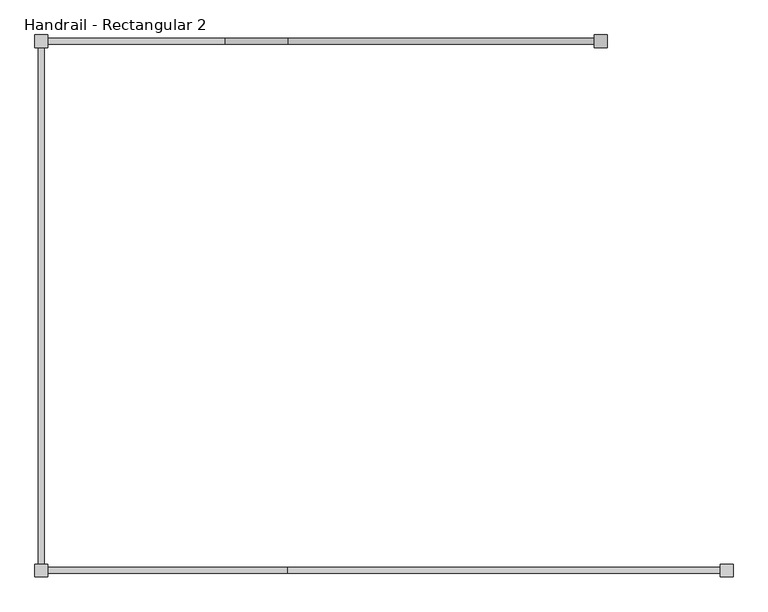
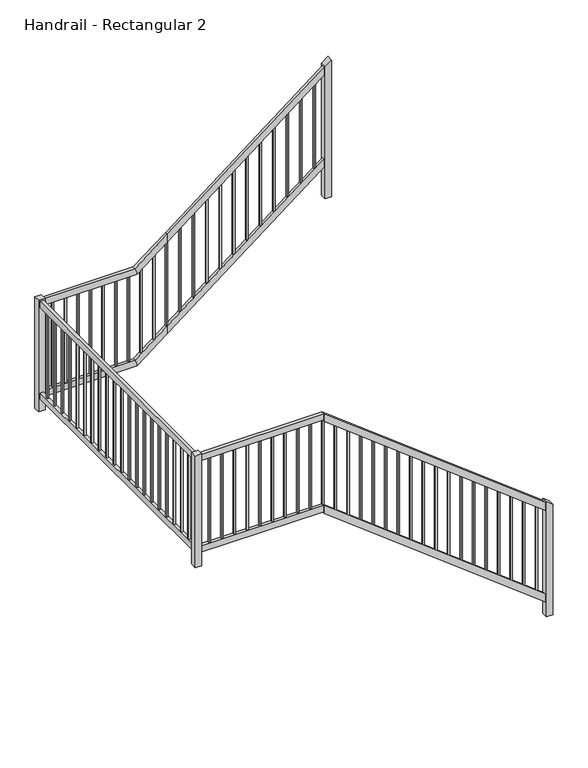
"""IFC4 building model written with IfcOpenShell, lengths in millimetres: railing geometry, Handrail - Rectangular 2."""

from ifc_helpers import new_model, si_unit, frame, origin, place, context, project, spatial, polyline, outline, extrude, faceted_brep, source, transform, mapped, element, save


def handrail_rectangular_2_5184c301(model_context):
    return source(origin(), model_context, "Body", "SolidModel", [
        faceted_brep([(2861.6897599, -469.7908634, -1638.7535714), (2861.6897599, -469.7908634, -1702.9680736), (2861.6897599, -444.3908634, -1702.9680736), (2861.6897599, -444.3908634, -1638.7535714), (1083.6897599, -469.7908634, -263.9785714), (1083.6897599, -444.3908634, -263.9785714), (1083.6897599, -444.3908634, -328.1930736), (1083.6897599, -469.7908634, -328.1930736)], [[[0, 1, 2, 3]], [[4, 5, 6, 7]], [[1, 0, 4, 7]], [[2, 1, 7, 6]], [[3, 2, 6, 5]], [[0, 3, 5, 4]]]),
        faceted_brep([(1083.6897599, -469.7908634, -263.9785714), (1083.6897599, -469.7908634, -314.7785714), (1083.6897599, -444.3908634, -314.7785714), (1083.6897599, -444.3908634, -263.9785714), (102.6147599, -469.7908634, -263.9785714), (102.6147599, -444.3908634, -263.9785714), (102.6147599, -444.3908634, -314.7785714), (102.6147599, -469.7908634, -314.7785714)], [[[0, 1, 2, 3]], [[4, 5, 6, 7]], [[1, 0, 4, 7]], [[2, 1, 7, 6]], [[3, 2, 6, 5]], [[0, 3, 5, 4]]]),
        faceted_brep([(77.2147599, -469.7908634, -263.9785714), (77.2147599, -469.7908634, -314.7785714), (102.6147599, -469.7908634, -314.7785714), (102.6147599, -469.7908634, -263.9785714), (77.2147599, 1663.8091366, -263.9785714), (102.6147599, 1663.8091366, -263.9785714), (102.6147599, 1663.8091366, -314.7785714), (77.2147599, 1663.8091366, -314.7785714)], [[[0, 1, 2, 3]], [[4, 5, 6, 7]], [[1, 0, 4, 7]], [[2, 1, 7, 6]], [[3, 2, 6, 5]], [[0, 3, 5, 4]]]),
        faceted_brep([(77.2147599, 1689.2091366, -263.9785714), (77.2147599, 1689.2091366, -314.7785714), (77.2147599, 1663.8091366, -314.7785714), (77.2147599, 1663.8091366, -263.9785714), (829.6897599, 1689.2091366, -263.9785714), (847.0387696, 1689.2091366, -314.7785714), (847.0387696, 1663.8091366, -314.7785714), (829.6897599, 1663.8091366, -263.9785714), (1083.6897599, 1689.2091366, -67.5821429), (1083.6897599, 1663.8091366, -67.5821429), (1083.6897599, 1663.8091366, -131.796645), (1083.6897599, 1689.2091366, -131.796645)], [[[0, 1, 2, 3]], [[1, 0, 4, 5]], [[2, 1, 5, 6]], [[3, 2, 6, 7]], [[0, 3, 7, 4]], [[8, 9, 10, 11]], [[5, 4, 8, 11]], [[6, 5, 11, 10]], [[7, 6, 10, 9]], [[4, 7, 9, 8]]]),
        faceted_brep([(1083.6897599, 1689.2091366, -67.5821429), (1083.6897599, 1689.2091366, -131.796645), (1083.6897599, 1663.8091366, -131.796645), (1083.6897599, 1663.8091366, -67.5821429), (2353.6897599, 1689.2091366, 914.4), (2353.6897599, 1663.8091366, 914.4), (2353.6897599, 1663.8091366, 850.1854979), (2353.6897599, 1689.2091366, 850.1854979)], [[[0, 1, 2, 3]], [[4, 5, 6, 7]], [[1, 0, 4, 7]], [[2, 1, 7, 6]], [[3, 2, 6, 5]], [[0, 3, 5, 4]]]),
        faceted_brep([(2861.6897599, -469.7908634, -2400.7535714), (2861.6897599, -469.7908634, -2464.9680736), (2861.6897599, -444.3908634, -2464.9680736), (2861.6897599, -444.3908634, -2400.7535714), (1083.6897599, -469.7908634, -1025.9785714), (1083.6897599, -444.3908634, -1025.9785714), (1083.6897599, -444.3908634, -1090.1930736), (1083.6897599, -469.7908634, -1090.1930736)], [[[0, 1, 2, 3]], [[4, 5, 6, 7]], [[1, 0, 4, 7]], [[2, 1, 7, 6]], [[3, 2, 6, 5]], [[0, 3, 5, 4]]]),
        faceted_brep([(1083.6897599, -469.7908634, -1025.9785714), (1083.6897599, -469.7908634, -1076.7785714), (1083.6897599, -444.3908634, -1076.7785714), (1083.6897599, -444.3908634, -1025.9785714), (102.6147599, -469.7908634, -1025.9785714), (102.6147599, -444.3908634, -1025.9785714), (102.6147599, -444.3908634, -1076.7785714), (102.6147599, -469.7908634, -1076.7785714)], [[[0, 1, 2, 3]], [[4, 5, 6, 7]], [[1, 0, 4, 7]], [[2, 1, 7, 6]], [[3, 2, 6, 5]], [[0, 3, 5, 4]]]),
        faceted_brep([(77.2147599, -469.7908634, -1025.9785714), (77.2147599, -469.7908634, -1076.7785714), (102.6147599, -469.7908634, -1076.7785714), (102.6147599, -469.7908634, -1025.9785714), (77.2147599, 1663.8091366, -1025.9785714), (102.6147599, 1663.8091366, -1025.9785714), (102.6147599, 1663.8091366, -1076.7785714), (77.2147599, 1663.8091366, -1076.7785714)], [[[0, 1, 2, 3]], [[4, 5, 6, 7]], [[1, 0, 4, 7]], [[2, 1, 7, 6]], [[3, 2, 6, 5]], [[0, 3, 5, 4]]]),
        faceted_brep([(77.2147599, 1689.2091366, -1025.9785714), (77.2147599, 1689.2091366, -1076.7785714), (77.2147599, 1663.8091366, -1076.7785714), (77.2147599, 1663.8091366, -1025.9785714), (829.6897599, 1689.2091366, -1025.9785714), (847.0387696, 1689.2091366, -1076.7785714), (847.0387696, 1663.8091366, -1076.7785714), (829.6897599, 1663.8091366, -1025.9785714), (1083.6897599, 1689.2091366, -829.5821429), (1083.6897599, 1663.8091366, -829.5821429), (1083.6897599, 1663.8091366, -893.796645), (1083.6897599, 1689.2091366, -893.796645)], [[[0, 1, 2, 3]], [[1, 0, 4, 5]], [[2, 1, 5, 6]], [[3, 2, 6, 7]], [[0, 3, 7, 4]], [[8, 9, 10, 11]], [[5, 4, 8, 11]], [[6, 5, 11, 10]], [[7, 6, 10, 9]], [[4, 7, 9, 8]]]),
        faceted_brep([(1083.6897599, 1689.2091366, -829.5821429), (1083.6897599, 1689.2091366, -893.796645), (1083.6897599, 1663.8091366, -893.796645), (1083.6897599, 1663.8091366, -829.5821429), (2353.6897599, 1689.2091366, 152.4), (2353.6897599, 1663.8091366, 152.4), (2353.6897599, 1663.8091366, 88.1854979), (2353.6897599, 1689.2091366, 88.1854979)], [[[0, 1, 2, 3]], [[4, 5, 6, 7]], [[1, 0, 4, 7]], [[2, 1, 7, 6]], [[3, 2, 6, 5]], [[0, 3, 5, 4]]]),
        extrude(outline(polyline([(858.6900893, 2347.3397599), (147.4900893, 2347.3397599), (157.3099107, 2360.0397599), (868.5099107, 2360.0397599), (858.6900893, 2347.3397599)])), frame((0.0, 1670.1591366, 0.0), z_axis=(0.0, 1.0, 0.0), x_axis=(0.0, 0.0, 1.0)), (0.0, 0.0, 1.0), 12.7),
        extrude(outline(polyline([(776.858244, 2241.5064266), (65.658244, 2241.5064266), (75.4780655, 2254.2064266), (786.6780655, 2254.2064266), (776.858244, 2241.5064266)])), frame((0.0, 1670.1591366, 0.0), z_axis=(0.0, 1.0, 0.0), x_axis=(0.0, 0.0, 1.0)), (0.0, 0.0, 1.0), 12.7),
        extrude(outline(polyline([(695.0263988, 2135.6730933), (-16.1736012, 2135.6730933), (-6.3537798, 2148.3730933), (704.8462202, 2148.3730933), (695.0263988, 2135.6730933)])), frame((0.0, 1670.1591366, 0.0), z_axis=(0.0, 1.0, 0.0), x_axis=(0.0, 0.0, 1.0)), (0.0, 0.0, 1.0), 12.7),
        extrude(outline(polyline([(613.1945536, 2029.8397599), (-98.0054464, 2029.8397599), (-88.185625, 2042.5397599), (623.014375, 2042.5397599), (613.1945536, 2029.8397599)])), frame((0.0, 1670.1591366, 0.0), z_axis=(0.0, 1.0, 0.0), x_axis=(0.0, 0.0, 1.0)), (0.0, 0.0, 1.0), 12.7),
        extrude(outline(polyline([(531.3627083, 1924.0064266), (-179.8372917, 1924.0064266), (-170.0174702, 1936.7064266), (541.1825298, 1936.7064266), (531.3627083, 1924.0064266)])), frame((0.0, 1670.1591366, 0.0), z_axis=(0.0, 1.0, 0.0), x_axis=(0.0, 0.0, 1.0)), (0.0, 0.0, 1.0), 12.7),
        extrude(outline(polyline([(449.5308631, 1818.1730933), (-261.6691369, 1818.1730933), (-251.8493155, 1830.8730933), (459.3506845, 1830.8730933), (449.5308631, 1818.1730933)])), frame((0.0, 1670.1591366, 0.0), z_axis=(0.0, 1.0, 0.0), x_axis=(0.0, 0.0, 1.0)), (0.0, 0.0, 1.0), 12.7),
        extrude(outline(polyline([(367.6990179, 1712.3397599), (-343.5009821, 1712.3397599), (-333.6811607, 1725.0397599), (377.5188393, 1725.0397599), (367.6990179, 1712.3397599)])), frame((0.0, 1670.1591366, 0.0), z_axis=(0.0, 1.0, 0.0), x_axis=(0.0, 0.0, 1.0)), (0.0, 0.0, 1.0), 12.7),
        extrude(outline(polyline([(285.8671726, 1606.5064266), (-425.3328274, 1606.5064266), (-415.513006, 1619.2064266), (295.686994, 1619.2064266), (285.8671726, 1606.5064266)])), frame((0.0, 1670.1591366, 0.0), z_axis=(0.0, 1.0, 0.0), x_axis=(0.0, 0.0, 1.0)), (0.0, 0.0, 1.0), 12.7),
        extrude(outline(polyline([(204.0353274, 1500.6730933), (-507.1646726, 1500.6730933), (-497.3448512, 1513.3730933), (213.8551488, 1513.3730933), (204.0353274, 1500.6730933)])), frame((0.0, 1670.1591366, 0.0), z_axis=(0.0, 1.0, 0.0), x_axis=(0.0, 0.0, 1.0)), (0.0, 0.0, 1.0), 12.7),
        extrude(outline(polyline([(122.2034821, 1394.8397599), (-588.9965179, 1394.8397599), (-579.1766964, 1407.5397599), (132.0233036, 1407.5397599), (122.2034821, 1394.8397599)])), frame((0.0, 1670.1591366, 0.0), z_axis=(0.0, 1.0, 0.0), x_axis=(0.0, 0.0, 1.0)), (0.0, 0.0, 1.0), 12.7),
        extrude(outline(polyline([(40.3716369, 1289.0064266), (-670.8283631, 1289.0064266), (-661.0085417, 1301.7064266), (50.1914583, 1301.7064266), (40.3716369, 1289.0064266)])), frame((0.0, 1670.1591366, 0.0), z_axis=(0.0, 1.0, 0.0), x_axis=(0.0, 0.0, 1.0)), (0.0, 0.0, 1.0), 12.7),
        extrude(outline(polyline([(-41.4602083, 1183.1730933), (-752.6602083, 1183.1730933), (-742.8403869, 1195.8730933), (-31.6403869, 1195.8730933), (-41.4602083, 1183.1730933)])), frame((0.0, 1670.1591366, 0.0), z_axis=(0.0, 1.0, 0.0), x_axis=(0.0, 0.0, 1.0)), (0.0, 0.0, 1.0), 12.7),
        extrude(outline(polyline([(-123.2920536, 1077.3397599), (-834.4920536, 1077.3397599), (-824.6722321, 1090.0397599), (-113.4722321, 1090.0397599), (-123.2920536, 1077.3397599)])), frame((0.0, 1670.1591366, 0.0), z_axis=(0.0, 1.0, 0.0), x_axis=(0.0, 0.0, 1.0)), (0.0, 0.0, 1.0), 12.7),
        extrude(outline(polyline([(-200.1321562, 977.9622599), (-911.3321562, 977.9622599), (-901.5123348, 990.6622599), (-190.3123348, 990.6622599), (-200.1321562, 977.9622599)])), frame((0.0, 1670.1591366, 0.0), z_axis=(0.0, 1.0, 0.0), x_axis=(0.0, 0.0, 1.0)), (0.0, 0.0, 1.0), 12.7),
        extrude(outline(polyline([(-276.9722589, 878.5847599), (-988.1722589, 878.5847599), (-978.3524375, 891.2847599), (-267.1524375, 891.2847599), (-276.9722589, 878.5847599)])), frame((0.0, 1670.1591366, 0.0), z_axis=(0.0, 1.0, 0.0), x_axis=(0.0, 0.0, 1.0)), (0.0, 0.0, 1.0), 12.7),
        extrude(outline(polyline([(779.2072599, 1682.8591366), (791.9072599, 1682.8591366), (791.9072599, 1670.1591366), (779.2072599, 1670.1591366), (779.2072599, 1682.8591366)])), frame((0.0, 0.0, -1025.9785714), z_axis=(0.0, 0.0, 1.0), x_axis=(1.0, 0.0, 0.0)), (0.0, 0.0, 1.0), 711.2),
        extrude(outline(polyline([(679.8297599, 1682.8591366), (692.5297599, 1682.8591366), (692.5297599, 1670.1591366), (679.8297599, 1670.1591366), (679.8297599, 1682.8591366)])), frame((0.0, 0.0, -1025.9785714), z_axis=(0.0, 0.0, 1.0), x_axis=(1.0, 0.0, 0.0)), (0.0, 0.0, 1.0), 711.2),
        extrude(outline(polyline([(580.4522599, 1682.8591366), (593.1522599, 1682.8591366), (593.1522599, 1670.1591366), (580.4522599, 1670.1591366), (580.4522599, 1682.8591366)])), frame((0.0, 0.0, -1025.9785714), z_axis=(0.0, 0.0, 1.0), x_axis=(1.0, 0.0, 0.0)), (0.0, 0.0, 1.0), 711.2),
        extrude(outline(polyline([(481.0747599, 1682.8591366), (493.7747599, 1682.8591366), (493.7747599, 1670.1591366), (481.0747599, 1670.1591366), (481.0747599, 1682.8591366)])), frame((0.0, 0.0, -1025.9785714), z_axis=(0.0, 0.0, 1.0), x_axis=(1.0, 0.0, 0.0)), (0.0, 0.0, 1.0), 711.2),
        extrude(outline(polyline([(381.6972599, 1682.8591366), (394.3972599, 1682.8591366), (394.3972599, 1670.1591366), (381.6972599, 1670.1591366), (381.6972599, 1682.8591366)])), frame((0.0, 0.0, -1025.9785714), z_axis=(0.0, 0.0, 1.0), x_axis=(1.0, 0.0, 0.0)), (0.0, 0.0, 1.0), 711.2),
        extrude(outline(polyline([(282.3197599, 1682.8591366), (295.0197599, 1682.8591366), (295.0197599, 1670.1591366), (282.3197599, 1670.1591366), (282.3197599, 1682.8591366)])), frame((0.0, 0.0, -1025.9785714), z_axis=(0.0, 0.0, 1.0), x_axis=(1.0, 0.0, 0.0)), (0.0, 0.0, 1.0), 711.2),
        extrude(outline(polyline([(182.9422599, 1682.8591366), (195.6422599, 1682.8591366), (195.6422599, 1670.1591366), (182.9422599, 1670.1591366), (182.9422599, 1682.8591366)])), frame((0.0, 0.0, -1025.9785714), z_axis=(0.0, 0.0, 1.0), x_axis=(1.0, 0.0, 0.0)), (0.0, 0.0, 1.0), 711.2),
        extrude(outline(polyline([(83.5647599, 1670.1591366), (83.5647599, 1682.8591366), (96.2647599, 1682.8591366), (96.2647599, 1670.1591366), (83.5647599, 1670.1591366)])), frame((0.0, 0.0, -1025.9785714), z_axis=(0.0, 0.0, 1.0), x_axis=(1.0, 0.0, 0.0)), (0.0, 0.0, 1.0), 711.2),
        extrude(outline(polyline([(83.5647599, 1568.5591366), (83.5647599, 1581.2591366), (96.2647599, 1581.2591366), (96.2647599, 1568.5591366), (83.5647599, 1568.5591366)])), frame((0.0, 0.0, -1025.9785714), z_axis=(0.0, 0.0, 1.0), x_axis=(1.0, 0.0, 0.0)), (0.0, 0.0, 1.0), 711.2),
        extrude(outline(polyline([(83.5647599, 1466.9591366), (83.5647599, 1479.6591366), (96.2647599, 1479.6591366), (96.2647599, 1466.9591366), (83.5647599, 1466.9591366)])), frame((0.0, 0.0, -1025.9785714), z_axis=(0.0, 0.0, 1.0), x_axis=(1.0, 0.0, 0.0)), (0.0, 0.0, 1.0), 711.2),
        extrude(outline(polyline([(83.5647599, 1365.3591366), (83.5647599, 1378.0591366), (96.2647599, 1378.0591366), (96.2647599, 1365.3591366), (83.5647599, 1365.3591366)])), frame((0.0, 0.0, -1025.9785714), z_axis=(0.0, 0.0, 1.0), x_axis=(1.0, 0.0, 0.0)), (0.0, 0.0, 1.0), 711.2),
        extrude(outline(polyline([(83.5647599, 1263.7591366), (83.5647599, 1276.4591366), (96.2647599, 1276.4591366), (96.2647599, 1263.7591366), (83.5647599, 1263.7591366)])), frame((0.0, 0.0, -1025.9785714), z_axis=(0.0, 0.0, 1.0), x_axis=(1.0, 0.0, 0.0)), (0.0, 0.0, 1.0), 711.2),
        extrude(outline(polyline([(83.5647599, 1162.1591366), (83.5647599, 1174.8591366), (96.2647599, 1174.8591366), (96.2647599, 1162.1591366), (83.5647599, 1162.1591366)])), frame((0.0, 0.0, -1025.9785714), z_axis=(0.0, 0.0, 1.0), x_axis=(1.0, 0.0, 0.0)), (0.0, 0.0, 1.0), 711.2),
        extrude(outline(polyline([(83.5647599, 1060.5591366), (83.5647599, 1073.2591366), (96.2647599, 1073.2591366), (96.2647599, 1060.5591366), (83.5647599, 1060.5591366)])), frame((0.0, 0.0, -1025.9785714), z_axis=(0.0, 0.0, 1.0), x_axis=(1.0, 0.0, 0.0)), (0.0, 0.0, 1.0), 711.2),
        extrude(outline(polyline([(83.5647599, 958.9591366), (83.5647599, 971.6591366), (96.2647599, 971.6591366), (96.2647599, 958.9591366), (83.5647599, 958.9591366)])), frame((0.0, 0.0, -1025.9785714), z_axis=(0.0, 0.0, 1.0), x_axis=(1.0, 0.0, 0.0)), (0.0, 0.0, 1.0), 711.2),
        extrude(outline(polyline([(83.5647599, 857.3591366), (83.5647599, 870.0591366), (96.2647599, 870.0591366), (96.2647599, 857.3591366), (83.5647599, 857.3591366)])), frame((0.0, 0.0, -1025.9785714), z_axis=(0.0, 0.0, 1.0), x_axis=(1.0, 0.0, 0.0)), (0.0, 0.0, 1.0), 711.2),
        extrude(outline(polyline([(83.5647599, 755.7591366), (83.5647599, 768.4591366), (96.2647599, 768.4591366), (96.2647599, 755.7591366), (83.5647599, 755.7591366)])), frame((0.0, 0.0, -1025.9785714), z_axis=(0.0, 0.0, 1.0), x_axis=(1.0, 0.0, 0.0)), (0.0, 0.0, 1.0), 711.2),
        extrude(outline(polyline([(83.5647599, 654.1591366), (83.5647599, 666.8591366), (96.2647599, 666.8591366), (96.2647599, 654.1591366), (83.5647599, 654.1591366)])), frame((0.0, 0.0, -1025.9785714), z_axis=(0.0, 0.0, 1.0), x_axis=(1.0, 0.0, 0.0)), (0.0, 0.0, 1.0), 711.2),
        extrude(outline(polyline([(83.5647599, 552.5591366), (83.5647599, 565.2591366), (96.2647599, 565.2591366), (96.2647599, 552.5591366), (83.5647599, 552.5591366)])), frame((0.0, 0.0, -1025.9785714), z_axis=(0.0, 0.0, 1.0), x_axis=(1.0, 0.0, 0.0)), (0.0, 0.0, 1.0), 711.2),
        extrude(outline(polyline([(83.5647599, 450.9591366), (83.5647599, 463.6591366), (96.2647599, 463.6591366), (96.2647599, 450.9591366), (83.5647599, 450.9591366)])), frame((0.0, 0.0, -1025.9785714), z_axis=(0.0, 0.0, 1.0), x_axis=(1.0, 0.0, 0.0)), (0.0, 0.0, 1.0), 711.2),
        extrude(outline(polyline([(83.5647599, 349.3591366), (83.5647599, 362.0591366), (96.2647599, 362.0591366), (96.2647599, 349.3591366), (83.5647599, 349.3591366)])), frame((0.0, 0.0, -1025.9785714), z_axis=(0.0, 0.0, 1.0), x_axis=(1.0, 0.0, 0.0)), (0.0, 0.0, 1.0), 711.2),
        extrude(outline(polyline([(83.5647599, 247.7591366), (83.5647599, 260.4591366), (96.2647599, 260.4591366), (96.2647599, 247.7591366), (83.5647599, 247.7591366)])), frame((0.0, 0.0, -1025.9785714), z_axis=(0.0, 0.0, 1.0), x_axis=(1.0, 0.0, 0.0)), (0.0, 0.0, 1.0), 711.2),
        extrude(outline(polyline([(83.5647599, 146.1591366), (83.5647599, 158.8591366), (96.2647599, 158.8591366), (96.2647599, 146.1591366), (83.5647599, 146.1591366)])), frame((0.0, 0.0, -1025.9785714), z_axis=(0.0, 0.0, 1.0), x_axis=(1.0, 0.0, 0.0)), (0.0, 0.0, 1.0), 711.2),
        extrude(outline(polyline([(83.5647599, 44.5591366), (83.5647599, 57.2591366), (96.2647599, 57.2591366), (96.2647599, 44.5591366), (83.5647599, 44.5591366)])), frame((0.0, 0.0, -1025.9785714), z_axis=(0.0, 0.0, 1.0), x_axis=(1.0, 0.0, 0.0)), (0.0, 0.0, 1.0), 711.2),
        extrude(outline(polyline([(83.5647599, -57.0408634), (83.5647599, -44.3408634), (96.2647599, -44.3408634), (96.2647599, -57.0408634), (83.5647599, -57.0408634)])), frame((0.0, 0.0, -1025.9785714), z_axis=(0.0, 0.0, 1.0), x_axis=(1.0, 0.0, 0.0)), (0.0, 0.0, 1.0), 711.2),
        extrude(outline(polyline([(83.5647599, -158.6408634), (83.5647599, -145.9408634), (96.2647599, -145.9408634), (96.2647599, -158.6408634), (83.5647599, -158.6408634)])), frame((0.0, 0.0, -1025.9785714), z_axis=(0.0, 0.0, 1.0), x_axis=(1.0, 0.0, 0.0)), (0.0, 0.0, 1.0), 711.2),
        extrude(outline(polyline([(83.5647599, -260.2408634), (83.5647599, -247.5408634), (96.2647599, -247.5408634), (96.2647599, -260.2408634), (83.5647599, -260.2408634)])), frame((0.0, 0.0, -1025.9785714), z_axis=(0.0, 0.0, 1.0), x_axis=(1.0, 0.0, 0.0)), (0.0, 0.0, 1.0), 711.2),
        extrude(outline(polyline([(83.5647599, -361.8408634), (83.5647599, -349.1408634), (96.2647599, -349.1408634), (96.2647599, -361.8408634), (83.5647599, -361.8408634)])), frame((0.0, 0.0, -1025.9785714), z_axis=(0.0, 0.0, 1.0), x_axis=(1.0, 0.0, 0.0)), (0.0, 0.0, 1.0), 711.2),
        extrude(outline(polyline([(96.2647599, -463.4408634), (83.5647599, -463.4408634), (83.5647599, -450.7408634), (96.2647599, -450.7408634), (96.2647599, -463.4408634)])), frame((0.0, 0.0, -1025.9785714), z_axis=(0.0, 0.0, 1.0), x_axis=(1.0, 0.0, 0.0)), (0.0, 0.0, 1.0), 711.2),
        extrude(outline(polyline([(195.6422599, -463.4408634), (182.9422599, -463.4408634), (182.9422599, -450.7408634), (195.6422599, -450.7408634), (195.6422599, -463.4408634)])), frame((0.0, 0.0, -1025.9785714), z_axis=(0.0, 0.0, 1.0), x_axis=(1.0, 0.0, 0.0)), (0.0, 0.0, 1.0), 711.2),
        extrude(outline(polyline([(295.0197599, -463.4408634), (282.3197599, -463.4408634), (282.3197599, -450.7408634), (295.0197599, -450.7408634), (295.0197599, -463.4408634)])), frame((0.0, 0.0, -1025.9785714), z_axis=(0.0, 0.0, 1.0), x_axis=(1.0, 0.0, 0.0)), (0.0, 0.0, 1.0), 711.2),
        extrude(outline(polyline([(394.3972599, -463.4408634), (381.6972599, -463.4408634), (381.6972599, -450.7408634), (394.3972599, -450.7408634), (394.3972599, -463.4408634)])), frame((0.0, 0.0, -1025.9785714), z_axis=(0.0, 0.0, 1.0), x_axis=(1.0, 0.0, 0.0)), (0.0, 0.0, 1.0), 711.2),
        extrude(outline(polyline([(493.7747599, -463.4408634), (481.0747599, -463.4408634), (481.0747599, -450.7408634), (493.7747599, -450.7408634), (493.7747599, -463.4408634)])), frame((0.0, 0.0, -1025.9785714), z_axis=(0.0, 0.0, 1.0), x_axis=(1.0, 0.0, 0.0)), (0.0, 0.0, 1.0), 711.2),
        extrude(outline(polyline([(593.1522599, -463.4408634), (580.4522599, -463.4408634), (580.4522599, -450.7408634), (593.1522599, -450.7408634), (593.1522599, -463.4408634)])), frame((0.0, 0.0, -1025.9785714), z_axis=(0.0, 0.0, 1.0), x_axis=(1.0, 0.0, 0.0)), (0.0, 0.0, 1.0), 711.2),
        extrude(outline(polyline([(692.5297599, -463.4408634), (679.8297599, -463.4408634), (679.8297599, -450.7408634), (692.5297599, -450.7408634), (692.5297599, -463.4408634)])), frame((0.0, 0.0, -1025.9785714), z_axis=(0.0, 0.0, 1.0), x_axis=(1.0, 0.0, 0.0)), (0.0, 0.0, 1.0), 711.2),
        extrude(outline(polyline([(791.9072599, -463.4408634), (779.2072599, -463.4408634), (779.2072599, -450.7408634), (791.9072599, -450.7408634), (791.9072599, -463.4408634)])), frame((0.0, 0.0, -1025.9785714), z_axis=(0.0, 0.0, 1.0), x_axis=(1.0, 0.0, 0.0)), (0.0, 0.0, 1.0), 711.2),
        extrude(outline(polyline([(891.2847599, -463.4408634), (878.5847599, -463.4408634), (878.5847599, -450.7408634), (891.2847599, -450.7408634), (891.2847599, -463.4408634)])), frame((0.0, 0.0, -1025.9785714), z_axis=(0.0, 0.0, 1.0), x_axis=(1.0, 0.0, 0.0)), (0.0, 0.0, 1.0), 711.2),
        extrude(outline(polyline([(990.6622599, -463.4408634), (977.9622599, -463.4408634), (977.9622599, -450.7408634), (990.6622599, -450.7408634), (990.6622599, -463.4408634)])), frame((0.0, 0.0, -1025.9785714), z_axis=(0.0, 0.0, 1.0), x_axis=(1.0, 0.0, 0.0)), (0.0, 0.0, 1.0), 711.2),
        extrude(outline(polyline([(-309.8686607, 1077.3397599), (-1021.0686607, 1077.3397599), (-1030.8884821, 1090.0397599), (-319.6884821, 1090.0397599), (-309.8686607, 1077.3397599)])), frame((0.0, -463.4408634, 0.0), z_axis=(0.0, 1.0, 0.0), x_axis=(0.0, 0.0, 1.0)), (0.0, 0.0, 1.0), 12.7),
        extrude(outline(polyline([(-386.2450496, 1176.1175377), (-1097.4450496, 1176.1175377), (-1107.264871, 1188.8175377), (-396.064871, 1188.8175377), (-386.2450496, 1176.1175377)])), frame((0.0, -463.4408634, 0.0), z_axis=(0.0, 1.0, 0.0), x_axis=(0.0, 0.0, 1.0)), (0.0, 0.0, 1.0), 12.7),
        extrude(outline(polyline([(-462.6214385, 1274.8953155), (-1173.8214385, 1274.8953155), (-1183.6412599, 1287.5953155), (-472.4412599, 1287.5953155), (-462.6214385, 1274.8953155)])), frame((0.0, -463.4408634, 0.0), z_axis=(0.0, 1.0, 0.0), x_axis=(0.0, 0.0, 1.0)), (0.0, 0.0, 1.0), 12.7),
        extrude(outline(polyline([(-538.9978274, 1373.6730933), (-1250.1978274, 1373.6730933), (-1260.0176488, 1386.3730933), (-548.8176488, 1386.3730933), (-538.9978274, 1373.6730933)])), frame((0.0, -463.4408634, 0.0), z_axis=(0.0, 1.0, 0.0), x_axis=(0.0, 0.0, 1.0)), (0.0, 0.0, 1.0), 12.7),
        extrude(outline(polyline([(-615.3742163, 1472.450871), (-1326.5742163, 1472.450871), (-1336.3940377, 1485.150871), (-625.1940377, 1485.150871), (-615.3742163, 1472.450871)])), frame((0.0, -463.4408634, 0.0), z_axis=(0.0, 1.0, 0.0), x_axis=(0.0, 0.0, 1.0)), (0.0, 0.0, 1.0), 12.7),
        extrude(outline(polyline([(-691.7506052, 1571.2286488), (-1402.9506052, 1571.2286488), (-1412.7704266, 1583.9286488), (-701.5704266, 1583.9286488), (-691.7506052, 1571.2286488)])), frame((0.0, -463.4408634, 0.0), z_axis=(0.0, 1.0, 0.0), x_axis=(0.0, 0.0, 1.0)), (0.0, 0.0, 1.0), 12.7),
        extrude(outline(polyline([(-768.126994, 1670.0064266), (-1479.326994, 1670.0064266), (-1489.1468155, 1682.7064266), (-777.9468155, 1682.7064266), (-768.126994, 1670.0064266)])), frame((0.0, -463.4408634, 0.0), z_axis=(0.0, 1.0, 0.0), x_axis=(0.0, 0.0, 1.0)), (0.0, 0.0, 1.0), 12.7),
        extrude(outline(polyline([(-844.5033829, 1768.7842044), (-1555.7033829, 1768.7842044), (-1565.5232044, 1781.4842044), (-854.3232044, 1781.4842044), (-844.5033829, 1768.7842044)])), frame((0.0, -463.4408634, 0.0), z_axis=(0.0, 1.0, 0.0), x_axis=(0.0, 0.0, 1.0)), (0.0, 0.0, 1.0), 12.7),
        extrude(outline(polyline([(-920.8797718, 1867.5619821), (-1632.0797718, 1867.5619821), (-1641.8995933, 1880.2619821), (-930.6995933, 1880.2619821), (-920.8797718, 1867.5619821)])), frame((0.0, -463.4408634, 0.0), z_axis=(0.0, 1.0, 0.0), x_axis=(0.0, 0.0, 1.0)), (0.0, 0.0, 1.0), 12.7),
        extrude(outline(polyline([(-997.2561607, 1966.3397599), (-1708.4561607, 1966.3397599), (-1718.2759821, 1979.0397599), (-1007.0759821, 1979.0397599), (-997.2561607, 1966.3397599)])), frame((0.0, -463.4408634, 0.0), z_axis=(0.0, 1.0, 0.0), x_axis=(0.0, 0.0, 1.0)), (0.0, 0.0, 1.0), 12.7),
        extrude(outline(polyline([(-1073.6325496, 2065.1175377), (-1784.8325496, 2065.1175377), (-1794.652371, 2077.8175377), (-1083.452371, 2077.8175377), (-1073.6325496, 2065.1175377)])), frame((0.0, -463.4408634, 0.0), z_axis=(0.0, 1.0, 0.0), x_axis=(0.0, 0.0, 1.0)), (0.0, 0.0, 1.0), 12.7),
        extrude(outline(polyline([(-1150.0089385, 2163.8953155), (-1861.2089385, 2163.8953155), (-1871.0287599, 2176.5953155), (-1159.8287599, 2176.5953155), (-1150.0089385, 2163.8953155)])), frame((0.0, -463.4408634, 0.0), z_axis=(0.0, 1.0, 0.0), x_axis=(0.0, 0.0, 1.0)), (0.0, 0.0, 1.0), 12.7),
        extrude(outline(polyline([(-1226.3853274, 2262.6730933), (-1937.5853274, 2262.6730933), (-1947.4051488, 2275.3730933), (-1236.2051488, 2275.3730933), (-1226.3853274, 2262.6730933)])), frame((0.0, -463.4408634, 0.0), z_axis=(0.0, 1.0, 0.0), x_axis=(0.0, 0.0, 1.0)), (0.0, 0.0, 1.0), 12.7),
        extrude(outline(polyline([(-1302.7617163, 2361.450871), (-2013.9617163, 2361.450871), (-2023.7815377, 2374.150871), (-1312.5815377, 2374.150871), (-1302.7617163, 2361.450871)])), frame((0.0, -463.4408634, 0.0), z_axis=(0.0, 1.0, 0.0), x_axis=(0.0, 0.0, 1.0)), (0.0, 0.0, 1.0), 12.7),
        extrude(outline(polyline([(-1379.1381052, 2460.2286488), (-2090.3381052, 2460.2286488), (-2100.1579266, 2472.9286488), (-1388.9579266, 2472.9286488), (-1379.1381052, 2460.2286488)])), frame((0.0, -463.4408634, 0.0), z_axis=(0.0, 1.0, 0.0), x_axis=(0.0, 0.0, 1.0)), (0.0, 0.0, 1.0), 12.7),
        extrude(outline(polyline([(-1455.514494, 2559.0064266), (-2166.714494, 2559.0064266), (-2176.5343155, 2571.7064266), (-1465.3343155, 2571.7064266), (-1455.514494, 2559.0064266)])), frame((0.0, -463.4408634, 0.0), z_axis=(0.0, 1.0, 0.0), x_axis=(0.0, 0.0, 1.0)), (0.0, 0.0, 1.0), 12.7),
        extrude(outline(polyline([(-1531.8908829, 2657.7842044), (-2243.0908829, 2657.7842044), (-2252.9107044, 2670.4842044), (-1541.7107044, 2670.4842044), (-1531.8908829, 2657.7842044)])), frame((0.0, -463.4408634, 0.0), z_axis=(0.0, 1.0, 0.0), x_axis=(0.0, 0.0, 1.0)), (0.0, 0.0, 1.0), 12.7),
        extrude(outline(polyline([(-1608.2672718, 2756.5619821), (-2319.4672718, 2756.5619821), (-2329.2870933, 2769.2619821), (-1618.0870933, 2769.2619821), (-1608.2672718, 2756.5619821)])), frame((0.0, -463.4408634, 0.0), z_axis=(0.0, 1.0, 0.0), x_axis=(0.0, 0.0, 1.0)), (0.0, 0.0, 1.0), 12.7),
        extrude(outline(polyline([(64.5147599, 1651.1091366), (64.5147599, 1701.9091366), (115.3147599, 1701.9091366), (115.3147599, 1651.1091366), (64.5147599, 1651.1091366)])), frame((0.0, 0.0, -1178.3785714), z_axis=(0.0, 0.0, 1.0), x_axis=(1.0, 0.0, 0.0)), (0.0, 0.0, 1.0), 927.1),
        extrude(outline(polyline([(115.3147599, -482.4908634), (64.5147599, -482.4908634), (64.5147599, -431.6908634), (115.3147599, -431.6908634), (115.3147599, -482.4908634)])), frame((0.0, 0.0, -1178.3785714), z_axis=(0.0, 0.0, 1.0), x_axis=(1.0, 0.0, 0.0)), (0.0, 0.0, 1.0), 927.1),
        extrude(outline(polyline([(900.0954911, 2318.7647599), (-196.3964286, 2318.7647599), (-196.3964286, 2369.5647599), (939.3747768, 2369.5647599), (900.0954911, 2318.7647599)])), frame((0.0, 1651.1091366, 0.0), z_axis=(0.0, 1.0, 0.0), x_axis=(0.0, 0.0, 1.0)), (0.0, 0.0, 1.0), 50.8),
        extrude(outline(polyline([(-1599.0490625, 2826.7647599), (-2553.1535714, 2826.7647599), (-2553.1535714, 2877.5647599), (-1638.3283482, 2877.5647599), (-1599.0490625, 2826.7647599)])), frame((0.0, -482.4908634, 0.0), z_axis=(0.0, 1.0, 0.0), x_axis=(0.0, 0.0, 1.0)), (0.0, 0.0, 1.0), 50.8),
    ])


if __name__ == "__main__":
    model = new_model("IFC4")
    model_context = context("Model", 3, world=origin())
    ifc_project = project(units=[si_unit("LENGTHUNIT", "METRE", prefix="MILLI")], contexts=[model_context])
    site = spatial("IfcSite", under=ifc_project)
    building = spatial("IfcBuilding", under=site)
    placement = place(None, origin())
    handrail_rectangular_2_shape = handrail_rectangular_2_5184c301(model_context)
    element("IfcRailing", 1, ObjectType="Handrail - Rectangular 2", at=placement, inside=building, context=model_context, shape_type="MappedRepresentation", body=[
        mapped(handrail_rectangular_2_shape, transform((0.0, 0.0, 0.0), x_axis=(1.0, 0.0, 0.0), y_axis=(0.0, 1.0, 0.0), z_axis=(0.0, 0.0, 1.0))),
    ])
    save(model, "model.ifc")
